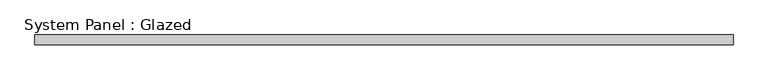
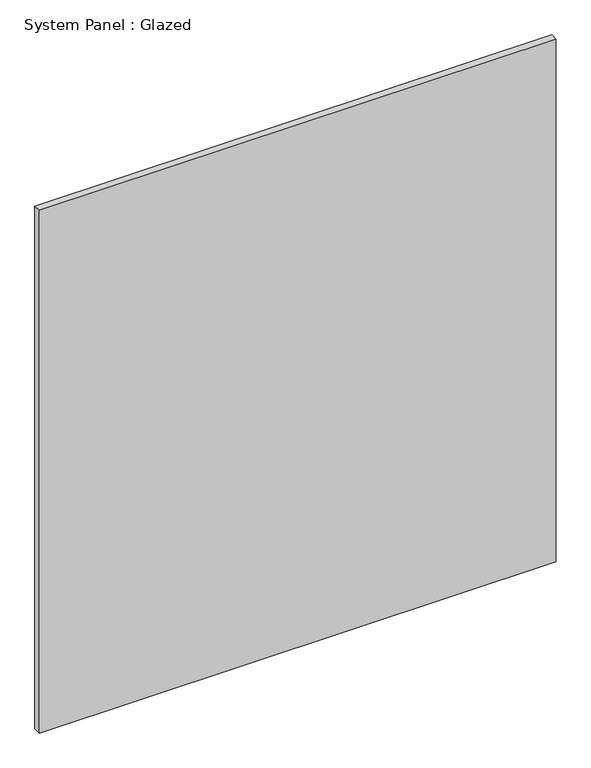
"""IFC4 building model written with IfcOpenShell, lengths in millimetres: plate geometry, System Panel : Glazed."""

from ifc_helpers import new_model, si_unit, origin, origin_with_axes, place, context, project, spatial, polyline, outline, extrude, source, transform, mapped, element, save


def system_panel_glazed_093134f4(model_context):
    return source(origin(), model_context, "Body", "SweptSolid", [
        extrude(outline(polyline([(882.65, 19.05), (-882.65, 19.05), (-882.65, 44.45), (882.65, 44.45), (882.65, 19.05)])), origin_with_axes(), (0.0, 0.0, 1.0), 1885.95),
    ])


if __name__ == "__main__":
    model = new_model("IFC4")
    model_context = context("Model", 3, world=origin())
    ifc_project = project(units=[si_unit("LENGTHUNIT", "METRE", prefix="MILLI")], contexts=[model_context])
    site = spatial("IfcSite", under=ifc_project)
    building = spatial("IfcBuilding", under=site)
    placement = place(None, origin())
    system_panel_glazed_shape = system_panel_glazed_093134f4(model_context)
    element("IfcPlate", 1, ObjectType="System Panel : Glazed", at=placement, inside=building, context=model_context, shape_type="MappedRepresentation", body=[
        mapped(system_panel_glazed_shape, transform((0.0, 0.0, 0.0), x_axis=(1.0, 0.0, 0.0), y_axis=(0.0, 1.0, 0.0), z_axis=(0.0, 0.0, 1.0))),
    ])
    save(model, "model.ifc")
